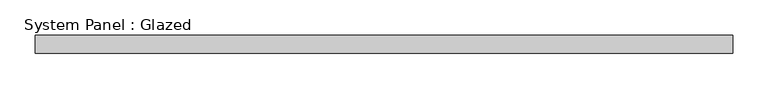
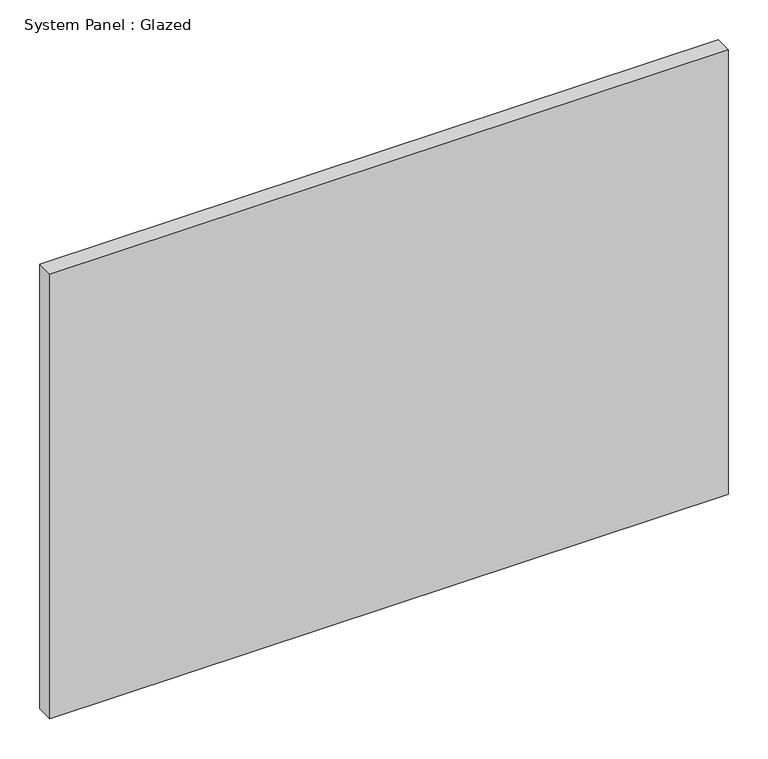
"""IFC4 building model written with IfcOpenShell, lengths in millimetres: plate geometry, System Panel : Glazed."""

from ifc_helpers import new_model, si_unit, origin, origin_with_axes, place, context, project, spatial, polyline, outline, extrude, source, transform, mapped, element, save


def system_panel_glazed_c04e4f61(model_context):
    return source(origin(), model_context, "Body", "SweptSolid", [
        extrude(outline(polyline([(490.9669352, 24.5), (-490.9669352, 24.5), (-490.9669352, 49.5), (490.9669352, 49.5), (490.9669352, 24.5)])), origin_with_axes(), (0.0, 0.0, 1.0), 680.0),
    ])


if __name__ == "__main__":
    model = new_model("IFC4")
    model_context = context("Model", 3, world=origin())
    ifc_project = project(units=[si_unit("LENGTHUNIT", "METRE", prefix="MILLI")], contexts=[model_context])
    site = spatial("IfcSite", under=ifc_project)
    building = spatial("IfcBuilding", under=site)
    placement = place(None, origin())
    system_panel_glazed_shape = system_panel_glazed_c04e4f61(model_context)
    element("IfcPlate", 1, ObjectType="System Panel : Glazed", at=placement, inside=building, context=model_context, shape_type="MappedRepresentation", body=[
        mapped(system_panel_glazed_shape, transform((0.0, 0.0, 0.0), x_axis=(1.0, 0.0, 0.0), y_axis=(0.0, 1.0, 0.0), z_axis=(0.0, 0.0, 1.0))),
    ])
    save(model, "model.ifc")
